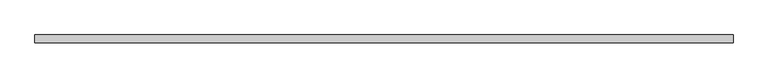
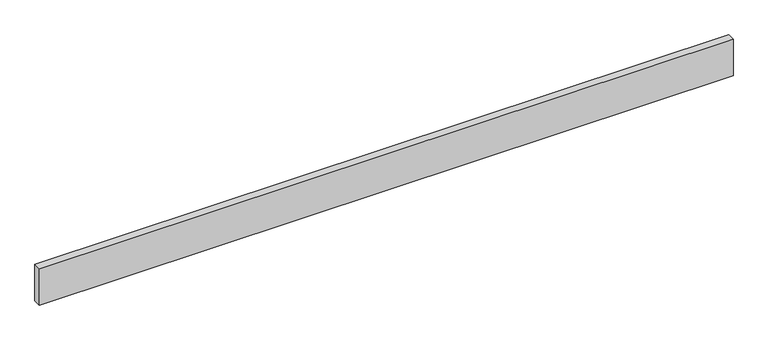
"""IFC4 building model written with IfcOpenShell, lengths in millimetres: proxy geometry."""

from ifc_helpers import new_model, si_unit, origin, origin_with_axes, place, context, project, spatial, polyline, outline, extrude, source, transform, mapped, element, save


def generic_models_cb10bba3(model_context):
    return source(origin(), model_context, "Body", "SweptSolid", [
        extrude(outline(polyline([(0.0, -100.0), (-9000.0, -100.0), (-9000.0, 0.0), (0.0, 0.0), (0.0, -100.0)])), origin_with_axes(), (0.0, 0.0, 1.0), 500.0),
    ])


if __name__ == "__main__":
    model = new_model("IFC4")
    model_context = context("Model", 3, world=origin())
    ifc_project = project(units=[si_unit("LENGTHUNIT", "METRE", prefix="MILLI")], contexts=[model_context])
    site = spatial("IfcSite", under=ifc_project)
    building = spatial("IfcBuilding", under=site)
    placement = place(None, origin())
    generic_models_shape = generic_models_cb10bba3(model_context)
    element("IfcBuildingElementProxy", 1, Name="Generic Models", at=placement, inside=building, context=model_context, shape_type="MappedRepresentation", body=[
        mapped(generic_models_shape, transform((0.0, 0.0, 0.0), x_axis=(1.0, 0.0, 0.0), y_axis=(0.0, 1.0, 0.0), z_axis=(0.0, 0.0, 1.0))),
    ])
    save(model, "model.ifc")
